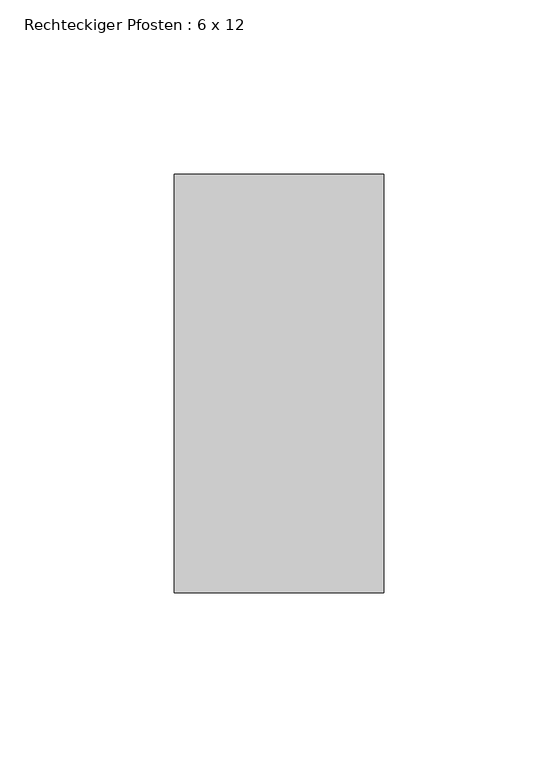
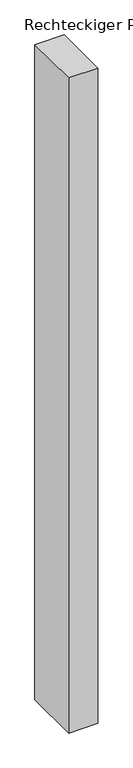
"""IFC4 building model written with IfcOpenShell, lengths in millimetres: member geometry, Rechteckiger Pfosten : 6 x 12."""

from ifc_helpers import new_model, si_unit, frame, origin, place, context, project, spatial, polyline, outline, extrude, source, transform, mapped, element, save


def rechteckiger_pfosten_6_x_12_509aa8f5(model_context):
    return source(origin(), model_context, "Body", "SweptSolid", [
        extrude(outline(polyline([(30.0, 60.0), (30.0, -60.0), (-30.0, -60.0), (-30.0, 60.0), (30.0, 60.0)])), frame((0.0, 0.0, -1425.625), z_axis=(0.0, 0.0, 1.0), x_axis=(1.0, 0.0, 0.0)), (0.0, 0.0, 1.0), 1425.625),
    ])


if __name__ == "__main__":
    model = new_model("IFC4")
    model_context = context("Model", 3, world=origin())
    ifc_project = project(units=[si_unit("LENGTHUNIT", "METRE", prefix="MILLI")], contexts=[model_context])
    site = spatial("IfcSite", under=ifc_project)
    building = spatial("IfcBuilding", under=site)
    placement = place(None, origin())
    rechteckiger_pfosten_6_x_12_shape = rechteckiger_pfosten_6_x_12_509aa8f5(model_context)
    element("IfcMember", 1, ObjectType="Rechteckiger Pfosten : 6 x 12", at=placement, inside=building, context=model_context, shape_type="MappedRepresentation", body=[
        mapped(rechteckiger_pfosten_6_x_12_shape, transform((0.0, 0.0, 0.0), x_axis=(1.0, 0.0, 0.0), y_axis=(0.0, 1.0, 0.0), z_axis=(0.0, 0.0, 1.0))),
    ])
    save(model, "model.ifc")
